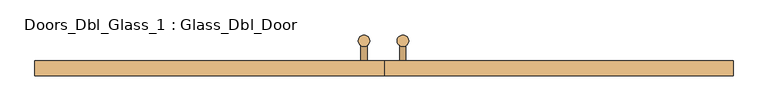
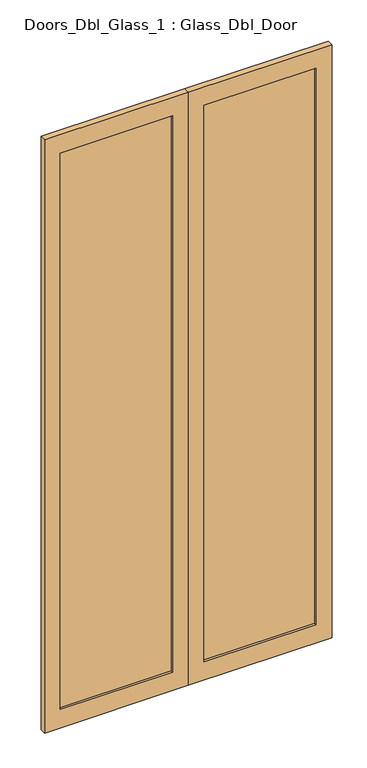
"""IFC4 building model written with IfcOpenShell, lengths in millimetres: door geometry, Doors_Dbl_Glass_1 : Glass_Dbl_Door."""

from ifc_helpers import new_model, si_unit, point, frame, frame_2d, origin, place, context, project, spatial, polyline, circle_curve, trimmed, segment, composite_curve, outline, extrude, source, transform, mapped, element, save


def doors_dbl_glass_1_glass_dbl_door_c4d67fba(model_context):
    return source(origin(), model_context, "Body", "SweptSolid", [
        extrude(outline(composite_curve([segment(trimmed(circle_curve(frame_2d((49.6069979, 116.0715804)), 15.0), [point((49.6069979, 101.0715804))], [point((49.6069979, 131.0715804))], False, "CARTESIAN"), True, "CONTINUOUS"), segment(trimmed(circle_curve(frame_2d((49.6069979, 116.0715804)), 15.0), [point((49.6069979, 131.0715804))], [point((49.6069979, 101.0715804))], False, "CARTESIAN"), True, "CONTINUOUS")], self_intersect=False)), frame((0.0, 0.0, 650.0), z_axis=(0.0, 0.0, 1.0), x_axis=(1.0, 0.0, 0.0)), (0.0, 0.0, 1.0), 900.0),
        extrude(outline(composite_curve([segment(trimmed(circle_curve(frame_2d((-52.537897, 116.0715804)), 15.0), [point((-52.537897, 101.0715804))], [point((-52.537897, 131.0715804))], False, "CARTESIAN"), True, "CONTINUOUS"), segment(trimmed(circle_curve(frame_2d((-52.537897, 116.0715804)), 15.0), [point((-52.537897, 131.0715804))], [point((-52.537897, 101.0715804))], False, "CARTESIAN"), True, "CONTINUOUS")], self_intersect=False)), frame((0.0, 0.0, 650.0), z_axis=(0.0, 0.0, 1.0), x_axis=(1.0, 0.0, 0.0)), (0.0, 0.0, 1.0), 900.0),
        extrude(outline(composite_curve([segment(trimmed(circle_curve(frame_2d((750.0, 49.6069979)), 8.0), [point((750.0, 57.6069979))], [point((750.0, 41.6069979))], False, "CARTESIAN"), True, "CONTINUOUS"), segment(trimmed(circle_curve(frame_2d((750.0, 49.6069979)), 8.0), [point((750.0, 41.6069979))], [point((750.0, 57.6069979))], False, "CARTESIAN"), True, "CONTINUOUS")], self_intersect=False)), frame((0.0, 62.5788556, 0.0), z_axis=(0.0, 1.0, 0.0), x_axis=(0.0, 0.0, 1.0)), (0.0, 0.0, 1.0), 53.4927248),
        extrude(outline(composite_curve([segment(trimmed(circle_curve(frame_2d((750.0, -52.537897)), 8.0), [point((750.0, -44.537897))], [point((750.0, -60.537897))], False, "CARTESIAN"), True, "CONTINUOUS"), segment(trimmed(circle_curve(frame_2d((750.0, -52.537897)), 8.0), [point((750.0, -60.537897))], [point((750.0, -44.537897))], False, "CARTESIAN"), True, "CONTINUOUS")], self_intersect=False)), frame((0.0, 62.5788556, 0.0), z_axis=(0.0, 1.0, 0.0), x_axis=(0.0, 0.0, 1.0)), (0.0, 0.0, 1.0), 53.4927248),
        extrude(outline(composite_curve([segment(trimmed(circle_curve(frame_2d((1450.0, 49.6069979)), 8.0), [point((1450.0, 57.6069979))], [point((1450.0, 41.6069979))], False, "CARTESIAN"), True, "CONTINUOUS"), segment(trimmed(circle_curve(frame_2d((1450.0, 49.6069979)), 8.0), [point((1450.0, 41.6069979))], [point((1450.0, 57.6069979))], False, "CARTESIAN"), True, "CONTINUOUS")], self_intersect=False)), frame((0.0, 62.5788556, 0.0), z_axis=(0.0, 1.0, 0.0), x_axis=(0.0, 0.0, 1.0)), (0.0, 0.0, 1.0), 53.4927248),
        extrude(outline(composite_curve([segment(trimmed(circle_curve(frame_2d((1450.0, -52.537897)), 8.0), [point((1450.0, -44.537897))], [point((1450.0, -60.537897))], False, "CARTESIAN"), True, "CONTINUOUS"), segment(trimmed(circle_curve(frame_2d((1450.0, -52.537897)), 8.0), [point((1450.0, -60.537897))], [point((1450.0, -44.537897))], False, "CARTESIAN"), True, "CONTINUOUS")], self_intersect=False)), frame((0.0, 62.5788556, 0.0), z_axis=(0.0, 1.0, 0.0), x_axis=(0.0, 0.0, 1.0)), (0.0, 0.0, 1.0), 53.4927248),
        extrude(outline(polyline([(4000.0, -916.6666666), (0.0, -916.6666666), (0.0, 0.0), (4000.0, 0.0), (4000.0, -916.6666666)]), holes=[polyline([(3875.0, -816.6666666), (3875.0, -100.0), (125.0, -100.0), (125.0, -816.6666666), (3875.0, -816.6666666)])]), frame((0.0, 24.035259, 0.0), z_axis=(0.0, 1.0, 0.0), x_axis=(0.0, 0.0, 1.0)), (0.0, 0.0, 1.0), 38.5435966),
        extrude(outline(polyline([(4000.0, 0.0), (0.0, 0.0), (0.0, 916.6666666), (4000.0, 916.6666666), (4000.0, 0.0)]), holes=[polyline([(3875.0, 100.0), (3875.0, 816.6666666), (125.0, 816.6666666), (125.0, 100.0), (3875.0, 100.0)])]), frame((0.0, 24.035259, 0.0), z_axis=(0.0, 1.0, 0.0), x_axis=(0.0, 0.0, 1.0)), (0.0, 0.0, 1.0), 38.5435966),
        extrude(outline(polyline([(-100.0, 38.0), (-816.6666666, 38.0), (-816.6666666, 50.0), (-100.0, 50.0), (-100.0, 38.0)])), frame((0.0, 0.0, 125.0), z_axis=(0.0, 0.0, 1.0), x_axis=(1.0, 0.0, 0.0)), (0.0, 0.0, 1.0), 3750.0),
        extrude(outline(polyline([(816.6666666, 38.0), (100.0, 38.0), (100.0, 50.0), (816.6666666, 50.0), (816.6666666, 38.0)])), frame((0.0, 0.0, 125.0), z_axis=(0.0, 0.0, 1.0), x_axis=(1.0, 0.0, 0.0)), (0.0, 0.0, 1.0), 3750.0),
    ])


if __name__ == "__main__":
    model = new_model("IFC4")
    model_context = context("Model", 3, world=origin())
    ifc_project = project(units=[si_unit("LENGTHUNIT", "METRE", prefix="MILLI")], contexts=[model_context])
    site = spatial("IfcSite", under=ifc_project)
    building = spatial("IfcBuilding", under=site)
    placement = place(None, origin())
    doors_dbl_glass_1_glass_dbl_door_shape = doors_dbl_glass_1_glass_dbl_door_c4d67fba(model_context)
    element("IfcDoor", 1, ObjectType="Doors_Dbl_Glass_1 : Glass_Dbl_Door", at=placement, inside=building, context=model_context, shape_type="MappedRepresentation", body=[
        mapped(doors_dbl_glass_1_glass_dbl_door_shape, transform((0.0, 0.0, 0.0), x_axis=(1.0, 0.0, 0.0), y_axis=(0.0, 1.0, 0.0), z_axis=(0.0, 0.0, 1.0))),
    ])
    save(model, "model.ifc")
